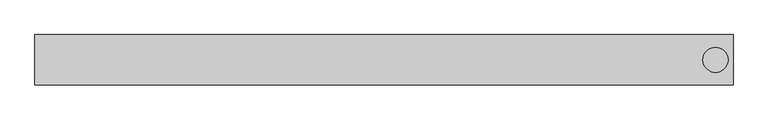
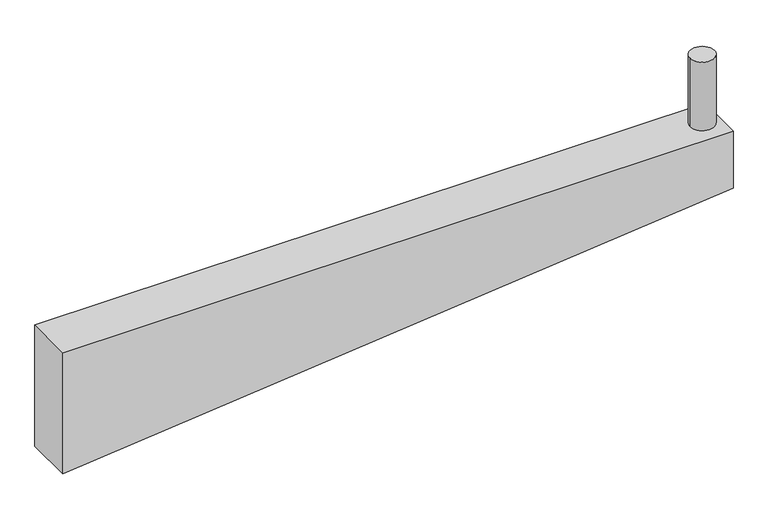
"""IFC4 building model written with IfcOpenShell, lengths in millimetres: beam geometry."""

from ifc_helpers import new_model, si_unit, point, frame, frame_2d, origin, origin_with_axes, place, context, project, spatial, polyline, circle_curve, trimmed, segment, composite_curve, outline, extrude, source, transform, mapped, element, save


def beam_8da1d3ec(model_context):
    return source(origin(), model_context, "Body", "SweptSolid", [
        extrude(outline(composite_curve([segment(trimmed(circle_curve(frame_2d((1317.5, 0.0)), 50.0), [point((1267.5, 0.0))], [point((1367.5, 0.0))], False, "CARTESIAN"), True, "CONTINUOUS"), segment(trimmed(circle_curve(frame_2d((1317.5, 0.0)), 50.0), [point((1367.5, 0.0))], [point((1267.5, 0.0))], False, "CARTESIAN"), True, "CONTINUOUS")], self_intersect=False)), origin_with_axes(), (0.0, 0.0, 1.0), 300.0),
        extrude(outline(polyline([(-250.0, 1387.5), (0.0, 1387.5), (0.0, -1387.5), (-530.0, -1387.5), (-250.0, 1387.5)])), frame((0.0, -100.0, 0.0), z_axis=(0.0, 1.0, 0.0), x_axis=(0.0, 0.0, 1.0)), (0.0, 0.0, 1.0), 200.0),
    ])


if __name__ == "__main__":
    model = new_model("IFC4")
    model_context = context("Model", 3, world=origin())
    ifc_project = project(units=[si_unit("LENGTHUNIT", "METRE", prefix="MILLI")], contexts=[model_context])
    site = spatial("IfcSite", under=ifc_project)
    building = spatial("IfcBuilding", under=site)
    placement = place(None, origin())
    beam_shape = beam_8da1d3ec(model_context)
    element("IfcBeam", 1, at=placement, inside=building, context=model_context, shape_type="MappedRepresentation", body=[
        mapped(beam_shape, transform((0.0, 0.0, 0.0), x_axis=(1.0, 0.0, 0.0), y_axis=(0.0, 1.0, 0.0), z_axis=(0.0, 0.0, 1.0))),
    ])
    save(model, "model.ifc")
